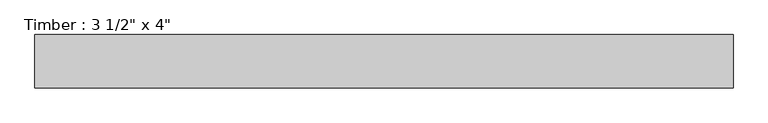
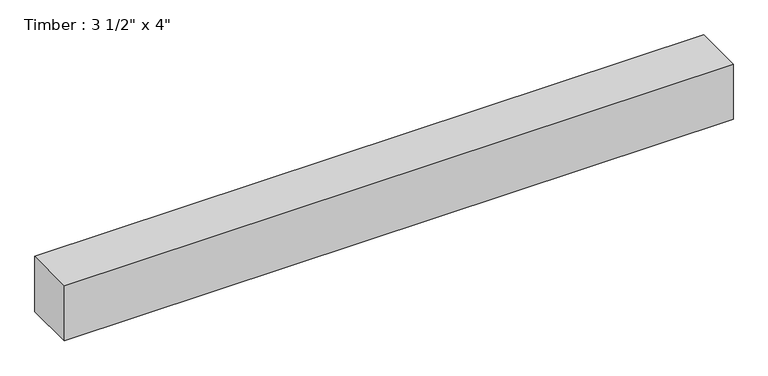
"""IFC4 building model written with IfcOpenShell, lengths in millimetres: beam geometry."""

from ifc_helpers import new_model, si_unit, frame, origin, place, context, project, spatial, polyline, outline, extrude, source, transform, mapped, element, save


def beam_5ac45b42(model_context):
    return source(origin(), model_context, "Body", "SweptSolid", [
        extrude(outline(polyline([(581.4141653, 44.45), (581.4141653, -44.45), (-581.4141653, -44.45), (-581.4141653, 44.45), (581.4141653, 44.45)])), frame((0.0, 0.0, -50.8), z_axis=(0.0, 0.0, 1.0), x_axis=(1.0, 0.0, 0.0)), (0.0, 0.0, 1.0), 101.6),
    ])


if __name__ == "__main__":
    model = new_model("IFC4")
    model_context = context("Model", 3, world=origin())
    ifc_project = project(units=[si_unit("LENGTHUNIT", "METRE", prefix="MILLI")], contexts=[model_context])
    site = spatial("IfcSite", under=ifc_project)
    building = spatial("IfcBuilding", under=site)
    placement = place(None, origin())
    beam_shape = beam_5ac45b42(model_context)
    element("IfcBeam", 1, ObjectType="Timber : 3 1/2\" x 4\"", at=placement, inside=building, context=model_context, shape_type="MappedRepresentation", body=[
        mapped(beam_shape, transform((0.0, 0.0, 0.0), x_axis=(1.0, 0.0, 0.0), y_axis=(0.0, 1.0, 0.0), z_axis=(0.0, 0.0, 1.0))),
    ])
    save(model, "model.ifc")
